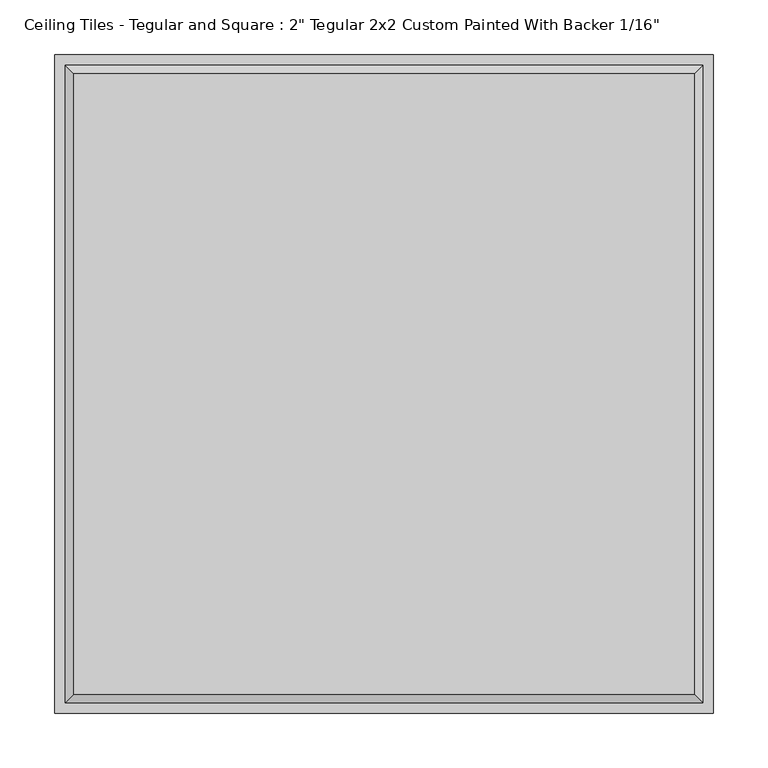
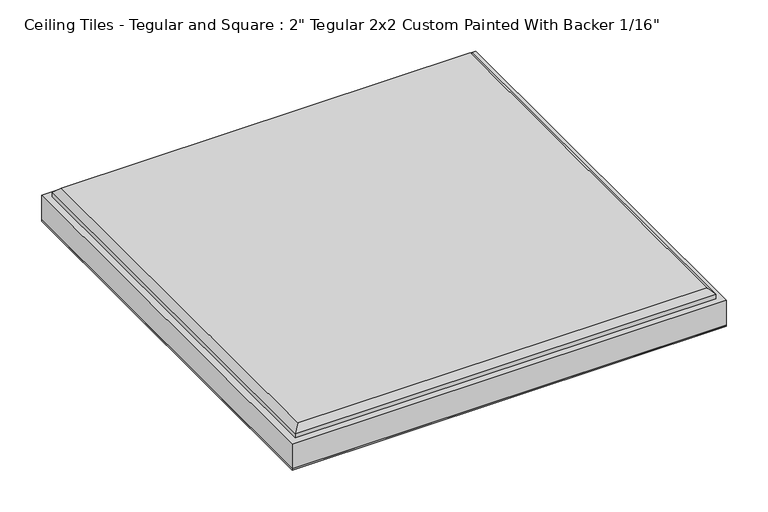
"""IFC4 building model written with IfcOpenShell, lengths in millimetres: proxy geometry."""

import ifcopenshell
import ifcopenshell.guid

model = None  # the IFC model being written
_history = None  # IfcOwnerHistory: only IFC2X3 demands one
_inside = {}  # id of a spatial element -> (the spatial element, [elements in it])
_under = {}  # id of a project, library or spatial element -> (it, [spatial elements below it])
_declared = {}  # id of a project -> (the project, [libraries it declares])
_typed = {}  # id of a type object -> (the type object, [elements of that type])
_made_of = {}  # id of a material, layer set ... -> (it, [elements and type objects made of it])


def new_model(schema):
    """Start an empty IFC model of exactly this schema.

    Asked for "IFC4X3", IfcOpenShell would pick the latest addendum, in which some entities
    have other attributes; the version numbers below select the first issue.
    IFC2X3 requires an IfcOwnerHistory on every rooted entity: one is made here for all.
    """
    global model, _history
    if schema == "IFC4X3":
        model = ifcopenshell.file(schema_version=(4, 3, 0, 0))
    else:
        model = ifcopenshell.file(schema=schema)
    _inside.clear()
    _under.clear()
    _declared.clear()
    _typed.clear()
    _made_of.clear()
    _history = None
    if model.schema == "IFC2X3":
        org = make("IfcOrganization", Name="unknown")
        user = make(
            "IfcPersonAndOrganization",
            ThePerson=make("IfcPerson", FamilyName="unknown"),
            TheOrganization=org,
        )
        app = make(
            "IfcApplication",
            ApplicationDeveloper=org,
            Version="unknown",
            ApplicationFullName="unknown",
            ApplicationIdentifier="unknown",
        )
        _history = make(
            "IfcOwnerHistory",
            OwningUser=user,
            OwningApplication=app,
            ChangeAction="ADDED",
            CreationDate=0,
        )
    return model


def make(cls, **values):
    """One entity of the class cls with the attributes given. An attribute that is None is left unset."""
    return model.create_entity(
        cls, **{name: value for name, value in values.items() if value is not None}
    )


def rooted(cls, **values):
    """An entity with a GlobalId (a new one), such as an element, a storey or a relation."""
    return make(cls, GlobalId=ifcopenshell.guid.new(), OwnerHistory=_history, **values)


def si_unit(unit_type, name, prefix=None):
    """IfcSIUnit, for example si_unit("LENGTHUNIT", "METRE", prefix="MILLI")."""
    return make("IfcSIUnit", UnitType=unit_type, Prefix=prefix, Name=name)


def assignment(units):
    """IfcUnitAssignment: the units of a project."""
    return None if units is None else make("IfcUnitAssignment", Units=units)


def point(xyz):
    """IfcCartesianPoint."""
    return None if xyz is None else make("IfcCartesianPoint", Coordinates=xyz)


def direction(xyz):
    """IfcDirection."""
    return None if xyz is None else make("IfcDirection", DirectionRatios=xyz)


def frame(location, z_axis=None, x_axis=None):
    """IfcAxis2Placement3D, a coordinate frame: its origin and axes. An axis left out is left unset."""
    return make(
        "IfcAxis2Placement3D",
        Location=point(location),
        Axis=direction(z_axis),
        RefDirection=direction(x_axis),
    )


def origin():
    """The frame at (0, 0, 0) with its axes left unset."""
    return frame((0.0, 0.0, 0.0))


def origin_with_axes():
    """The frame at (0, 0, 0) with the z axis (0, 0, 1) and the x axis (1, 0, 0) written out."""
    return frame((0.0, 0.0, 0.0), z_axis=(0.0, 0.0, 1.0), x_axis=(1.0, 0.0, 0.0))


def place(relative_to, where):
    """IfcLocalPlacement: puts the frame where relative to a parent placement (None: the world)."""
    return make(
        "IfcLocalPlacement", PlacementRelTo=relative_to, RelativePlacement=where
    )


def context(
    kind, dimensions, precision=None, world=None, true_north=None, identifier=None
):
    """IfcGeometricRepresentationContext, for example the 3D "Model" context."""
    return make(
        "IfcGeometricRepresentationContext",
        ContextIdentifier=identifier,
        ContextType=kind,
        CoordinateSpaceDimension=dimensions,
        Precision=precision,
        WorldCoordinateSystem=world,
        TrueNorth=true_north,
    )


def project(units=None, contexts=None):
    """IfcProject with its units and contexts."""
    return rooted(
        "IfcProject",
        Name="project",
        RepresentationContexts=contexts,
        UnitsInContext=assignment(units),
    )


def spatial(cls, under=None, at=None, **own):
    """A site, building, storey or space (cls), placed at a placement, below another one or the project."""
    s = rooted(cls, ObjectPlacement=at, **own)
    if under is not None:
        _under.setdefault(under.id(), (under, []))[1].append(s)
    return s


def polyline(points):
    """IfcPolyline through the points."""
    return make("IfcPolyline", Points=[point(p) for p in points])


def outline(outer, holes=None, kind="AREA"):
    """IfcArbitraryClosedProfileDef: a profile drawn as a closed curve; with holes, ...WithVoids."""
    if holes is None:
        return make("IfcArbitraryClosedProfileDef", ProfileType=kind, OuterCurve=outer)
    return make(
        "IfcArbitraryProfileDefWithVoids",
        ProfileType=kind,
        OuterCurve=outer,
        InnerCurves=holes,
    )


def extrude(swept, where, along, depth):
    """IfcExtrudedAreaSolid: the profile swept, set in the frame where, extruded along a direction by depth."""
    return make(
        "IfcExtrudedAreaSolid",
        SweptArea=swept,
        Position=where,
        ExtrudedDirection=direction(along),
        Depth=depth,
    )


def faces_of(points, faces, orient=None, outer=None):
    """IfcFace entities. A face is a list of loops; a loop is a list of indices into points, from 0.

    orient and outer hold one flag for each loop. By default every Orientation is true, the
    first loop of a face is its IfcFaceOuterBound and the others are IfcFaceBound.
    """
    made = []
    for i, loops in enumerate(faces):
        bounds = []
        for j, loop in enumerate(loops):
            is_outer = j == 0 if outer is None else outer[i][j]
            bounds.append(
                make(
                    "IfcFaceOuterBound" if is_outer else "IfcFaceBound",
                    Bound=make("IfcPolyLoop", Polygon=[points[k] for k in loop]),
                    Orientation=True if orient is None else orient[i][j],
                )
            )
        made.append(make("IfcFace", Bounds=bounds))
    return made


def faceted_brep(points, faces, orient=None, outer=None, voids=None):
    """IfcFacetedBrep: a solid bounded by flat faces; with voids (closed shells), ...WithVoids."""
    shared = [point(p) for p in points]
    hull = make("IfcClosedShell", CfsFaces=faces_of(shared, faces, orient, outer))
    if voids is None:
        return make("IfcFacetedBrep", Outer=hull)
    return make(
        "IfcFacetedBrepWithVoids",
        Outer=hull,
        Voids=[
            make(cls, CfsFaces=faces_of(shared, fs, o, b)) for cls, fs, o, b in voids
        ],
    )


def shape(context_of_items, identifier, shape_type, items):
    """IfcShapeRepresentation: the items that make up one representation, for example the "Body"."""
    return make(
        "IfcShapeRepresentation",
        ContextOfItems=context_of_items,
        RepresentationIdentifier=identifier,
        RepresentationType=shape_type,
        Items=items,
    )


def source(mapping_origin, context_of_items, identifier, shape_type, items):
    """IfcRepresentationMap: a shape defined once, which mapped items show again and again."""
    return make(
        "IfcRepresentationMap",
        MappingOrigin=mapping_origin,
        MappedRepresentation=shape(context_of_items, identifier, shape_type, items),
    )


def transform(
    local_origin,
    x_axis=None,
    y_axis=None,
    z_axis=None,
    scale=None,
    scale2=None,
    scale3=None,
    uniform=True,
):
    """IfcCartesianTransformationOperator3D, or its non-uniform kind. x_axis, y_axis, z_axis: its Axis1, 2, 3."""
    if uniform:
        return make(
            "IfcCartesianTransformationOperator3D",
            Axis1=direction(x_axis),
            Axis2=direction(y_axis),
            LocalOrigin=point(local_origin),
            Scale=scale,
            Axis3=direction(z_axis),
        )
    return make(
        "IfcCartesianTransformationOperator3DnonUniform",
        Axis1=direction(x_axis),
        Axis2=direction(y_axis),
        LocalOrigin=point(local_origin),
        Scale=scale,
        Axis3=direction(z_axis),
        Scale2=scale2,
        Scale3=scale3,
    )


def mapped(mapping_source, mapping_target):
    """IfcMappedItem: shows the shape of a source again, moved by a transform."""
    return make(
        "IfcMappedItem", MappingSource=mapping_source, MappingTarget=mapping_target
    )


def made_of(thing, what):
    """Note that an element or type object is made of a material, layer set ...; save() writes the relation."""
    if what is not None:
        _made_of.setdefault(what.id(), (what, []))[1].append(thing)
    return thing


def element(
    cls,
    number,
    at=None,
    inside=None,
    cuts=None,
    type_object=None,
    material=None,
    context=None,
    identifier="Body",
    shape_type=None,
    held_by="IfcProductDefinitionShape",
    body=None,
    shapes=None,
    **own,
):
    """One element of the class cls, such as IfcWall. Its Tag is "e" and its number.

    at: its placement. inside: the storey or other place that contains it. cuts: it is an
    opening in that element (IfcRelVoidsElement). A single representation is given by context,
    identifier, shape_type and body (its items); several are given by shapes. held_by: the class
    of the entity that holds the representations. save() writes the other relations.
    """
    e = rooted(cls, Tag="e%d" % number, ObjectPlacement=at, **own)
    if body is not None:
        shapes = [shape(context, identifier, shape_type, body)]
    if shapes is not None:
        e.Representation = make(held_by, Representations=shapes)
    if inside is not None:
        _inside.setdefault(inside.id(), (inside, []))[1].append(e)
    if cuts is not None:
        rooted(
            "IfcRelVoidsElement", RelatingBuildingElement=cuts, RelatedOpeningElement=e
        )
    if type_object is not None:
        _typed.setdefault(type_object.id(), (type_object, []))[1].append(e)
    return made_of(e, material)


def aggregate(whole, parts):
    """IfcRelAggregates: a whole, such as a stair, and the parts it consists of."""
    return rooted("IfcRelAggregates", RelatingObject=whole, RelatedObjects=parts)


def save(model, path):
    """Write the relations noted so far, then the file.

    IfcRelAggregates (storeys below a building ...), IfcRelContainedInSpatialStructure (elements
    in a storey), IfcRelDefinesByType, IfcRelAssociatesMaterial and IfcRelDeclares: one each for
    every whole, place, type object, material and project.
    """
    for whole, parts in _under.values():
        aggregate(whole, parts)
    for where, things in _inside.values():
        rooted(
            "IfcRelContainedInSpatialStructure",
            RelatedElements=things,
            RelatingStructure=where,
        )
    for kind, things in _typed.values():
        rooted("IfcRelDefinesByType", RelatedObjects=things, RelatingType=kind)
    for what, things in _made_of.values():
        rooted("IfcRelAssociatesMaterial", RelatedObjects=things, RelatingMaterial=what)
    for by, libraries in _declared.values():
        rooted("IfcRelDeclares", RelatingContext=by, RelatedDefinitions=libraries)
    model.write(path)


def proxy_876edff5(model_context):
    return source(origin(), model_context, "Body", "SolidModel", [
        extrude(outline(polyline([(301.625, 301.625), (301.625, -301.625), (-301.625, -301.625), (-301.625, 301.625), (301.625, 301.625)])), origin_with_axes(), (0.0, 0.0, 1.0), 1.5875),
        faceted_brep([(284.099, 284.099, 52.3875), (-284.099, 284.099, 52.3875), (-284.099, -284.099, 52.3875), (284.099, -284.099, 52.3875), (-301.625, 301.625, 1.5875), (301.625, 301.625, 1.5875), (301.625, -301.625, 1.5875), (-301.625, -301.625, 1.5875), (-301.625, -301.625, 38.1), (-301.625, 301.625, 38.1), (301.625, -301.625, 38.1), (301.625, 301.625, 38.1), (292.1, 292.1, 44.3865), (-292.1, 292.1, 44.3865), (-292.1, -292.1, 44.3865), (292.1, -292.1, 44.3865), (292.1, 292.1, 38.1), (-292.1, 292.1, 38.1), (-292.1, -292.1, 38.1), (292.1, -292.1, 38.1)], [[[0, 1, 2, 3]], [[4, 5, 6, 7]], [[4, 7, 8, 9]], [[7, 6, 10, 8]], [[6, 5, 11, 10]], [[5, 4, 9, 11]], [[12, 13, 1, 0]], [[1, 13, 14, 2]], [[2, 14, 15, 3]], [[12, 0, 3, 15]], [[16, 17, 13, 12]], [[13, 17, 18, 14]], [[14, 18, 19, 15]], [[16, 12, 15, 19]], [[9, 8, 10, 11], [17, 16, 19, 18]]]),
    ])


if __name__ == "__main__":
    model = new_model("IFC4")
    model_context = context("Model", 3, world=origin())
    ifc_project = project(units=[si_unit("LENGTHUNIT", "METRE", prefix="MILLI")], contexts=[model_context])
    site = spatial("IfcSite", under=ifc_project)
    building = spatial("IfcBuilding", under=site)
    placement = place(None, origin())
    proxy_shape = proxy_876edff5(model_context)
    element("IfcBuildingElementProxy", 1, Name="Ceiling Tiles - Tegular and Square : 2\" Tegular 2x2 Custom Painted With Backer 1/16\"", ObjectType="Ceiling Tiles - Tegular and Square : 2\" Tegular 2x2 Custom Painted With Backer 1/16\"", at=placement, inside=building, context=model_context, shape_type="MappedRepresentation", body=[
        mapped(proxy_shape, transform((0.0, 0.0, 0.0), x_axis=(1.0, 0.0, 0.0), y_axis=(0.0, 1.0, 0.0), z_axis=(0.0, 0.0, 1.0))),
    ])
    save(model, "model.ifc")
